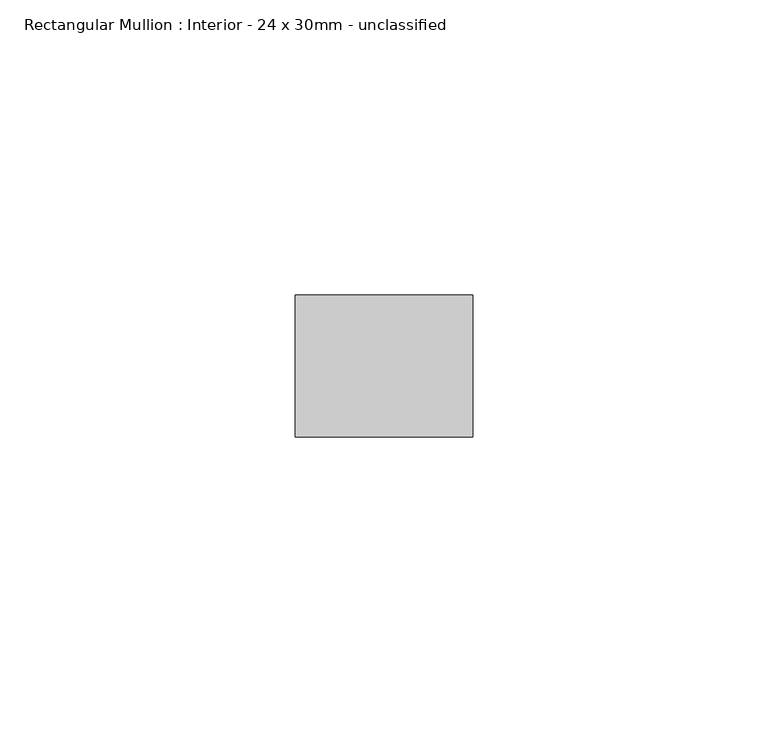
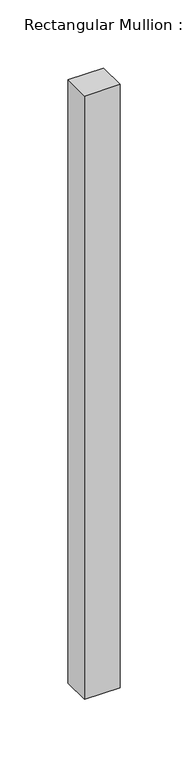
"""IFC4 building model written with IfcOpenShell, lengths in millimetres: member geometry, Rectangular Mullion : Interior - 24 x 30mm - unclassified."""

import ifcopenshell
import ifcopenshell.guid

model = None  # the IFC model being written
_history = None  # IfcOwnerHistory: only IFC2X3 demands one
_inside = {}  # id of a spatial element -> (the spatial element, [elements in it])
_under = {}  # id of a project, library or spatial element -> (it, [spatial elements below it])
_declared = {}  # id of a project -> (the project, [libraries it declares])
_typed = {}  # id of a type object -> (the type object, [elements of that type])
_made_of = {}  # id of a material, layer set ... -> (it, [elements and type objects made of it])


def new_model(schema):
    """Start an empty IFC model of exactly this schema.

    Asked for "IFC4X3", IfcOpenShell would pick the latest addendum, in which some entities
    have other attributes; the version numbers below select the first issue.
    IFC2X3 requires an IfcOwnerHistory on every rooted entity: one is made here for all.
    """
    global model, _history
    if schema == "IFC4X3":
        model = ifcopenshell.file(schema_version=(4, 3, 0, 0))
    else:
        model = ifcopenshell.file(schema=schema)
    _inside.clear()
    _under.clear()
    _declared.clear()
    _typed.clear()
    _made_of.clear()
    _history = None
    if model.schema == "IFC2X3":
        org = make("IfcOrganization", Name="unknown")
        user = make(
            "IfcPersonAndOrganization",
            ThePerson=make("IfcPerson", FamilyName="unknown"),
            TheOrganization=org,
        )
        app = make(
            "IfcApplication",
            ApplicationDeveloper=org,
            Version="unknown",
            ApplicationFullName="unknown",
            ApplicationIdentifier="unknown",
        )
        _history = make(
            "IfcOwnerHistory",
            OwningUser=user,
            OwningApplication=app,
            ChangeAction="ADDED",
            CreationDate=0,
        )
    return model


def make(cls, **values):
    """One entity of the class cls with the attributes given. An attribute that is None is left unset."""
    return model.create_entity(
        cls, **{name: value for name, value in values.items() if value is not None}
    )


def rooted(cls, **values):
    """An entity with a GlobalId (a new one), such as an element, a storey or a relation."""
    return make(cls, GlobalId=ifcopenshell.guid.new(), OwnerHistory=_history, **values)


def si_unit(unit_type, name, prefix=None):
    """IfcSIUnit, for example si_unit("LENGTHUNIT", "METRE", prefix="MILLI")."""
    return make("IfcSIUnit", UnitType=unit_type, Prefix=prefix, Name=name)


def assignment(units):
    """IfcUnitAssignment: the units of a project."""
    return None if units is None else make("IfcUnitAssignment", Units=units)


def point(xyz):
    """IfcCartesianPoint."""
    return None if xyz is None else make("IfcCartesianPoint", Coordinates=xyz)


def direction(xyz):
    """IfcDirection."""
    return None if xyz is None else make("IfcDirection", DirectionRatios=xyz)


def frame(location, z_axis=None, x_axis=None):
    """IfcAxis2Placement3D, a coordinate frame: its origin and axes. An axis left out is left unset."""
    return make(
        "IfcAxis2Placement3D",
        Location=point(location),
        Axis=direction(z_axis),
        RefDirection=direction(x_axis),
    )


def origin():
    """The frame at (0, 0, 0) with its axes left unset."""
    return frame((0.0, 0.0, 0.0))


def place(relative_to, where):
    """IfcLocalPlacement: puts the frame where relative to a parent placement (None: the world)."""
    return make(
        "IfcLocalPlacement", PlacementRelTo=relative_to, RelativePlacement=where
    )


def context(
    kind, dimensions, precision=None, world=None, true_north=None, identifier=None
):
    """IfcGeometricRepresentationContext, for example the 3D "Model" context."""
    return make(
        "IfcGeometricRepresentationContext",
        ContextIdentifier=identifier,
        ContextType=kind,
        CoordinateSpaceDimension=dimensions,
        Precision=precision,
        WorldCoordinateSystem=world,
        TrueNorth=true_north,
    )


def project(units=None, contexts=None):
    """IfcProject with its units and contexts."""
    return rooted(
        "IfcProject",
        Name="project",
        RepresentationContexts=contexts,
        UnitsInContext=assignment(units),
    )


def spatial(cls, under=None, at=None, **own):
    """A site, building, storey or space (cls), placed at a placement, below another one or the project."""
    s = rooted(cls, ObjectPlacement=at, **own)
    if under is not None:
        _under.setdefault(under.id(), (under, []))[1].append(s)
    return s


def polyline(points):
    """IfcPolyline through the points."""
    return make("IfcPolyline", Points=[point(p) for p in points])


def outline(outer, holes=None, kind="AREA"):
    """IfcArbitraryClosedProfileDef: a profile drawn as a closed curve; with holes, ...WithVoids."""
    if holes is None:
        return make("IfcArbitraryClosedProfileDef", ProfileType=kind, OuterCurve=outer)
    return make(
        "IfcArbitraryProfileDefWithVoids",
        ProfileType=kind,
        OuterCurve=outer,
        InnerCurves=holes,
    )


def extrude(swept, where, along, depth):
    """IfcExtrudedAreaSolid: the profile swept, set in the frame where, extruded along a direction by depth."""
    return make(
        "IfcExtrudedAreaSolid",
        SweptArea=swept,
        Position=where,
        ExtrudedDirection=direction(along),
        Depth=depth,
    )


def shape(context_of_items, identifier, shape_type, items):
    """IfcShapeRepresentation: the items that make up one representation, for example the "Body"."""
    return make(
        "IfcShapeRepresentation",
        ContextOfItems=context_of_items,
        RepresentationIdentifier=identifier,
        RepresentationType=shape_type,
        Items=items,
    )


def source(mapping_origin, context_of_items, identifier, shape_type, items):
    """IfcRepresentationMap: a shape defined once, which mapped items show again and again."""
    return make(
        "IfcRepresentationMap",
        MappingOrigin=mapping_origin,
        MappedRepresentation=shape(context_of_items, identifier, shape_type, items),
    )


def transform(
    local_origin,
    x_axis=None,
    y_axis=None,
    z_axis=None,
    scale=None,
    scale2=None,
    scale3=None,
    uniform=True,
):
    """IfcCartesianTransformationOperator3D, or its non-uniform kind. x_axis, y_axis, z_axis: its Axis1, 2, 3."""
    if uniform:
        return make(
            "IfcCartesianTransformationOperator3D",
            Axis1=direction(x_axis),
            Axis2=direction(y_axis),
            LocalOrigin=point(local_origin),
            Scale=scale,
            Axis3=direction(z_axis),
        )
    return make(
        "IfcCartesianTransformationOperator3DnonUniform",
        Axis1=direction(x_axis),
        Axis2=direction(y_axis),
        LocalOrigin=point(local_origin),
        Scale=scale,
        Axis3=direction(z_axis),
        Scale2=scale2,
        Scale3=scale3,
    )


def mapped(mapping_source, mapping_target):
    """IfcMappedItem: shows the shape of a source again, moved by a transform."""
    return make(
        "IfcMappedItem", MappingSource=mapping_source, MappingTarget=mapping_target
    )


def made_of(thing, what):
    """Note that an element or type object is made of a material, layer set ...; save() writes the relation."""
    if what is not None:
        _made_of.setdefault(what.id(), (what, []))[1].append(thing)
    return thing


def element(
    cls,
    number,
    at=None,
    inside=None,
    cuts=None,
    type_object=None,
    material=None,
    context=None,
    identifier="Body",
    shape_type=None,
    held_by="IfcProductDefinitionShape",
    body=None,
    shapes=None,
    **own,
):
    """One element of the class cls, such as IfcWall. Its Tag is "e" and its number.

    at: its placement. inside: the storey or other place that contains it. cuts: it is an
    opening in that element (IfcRelVoidsElement). A single representation is given by context,
    identifier, shape_type and body (its items); several are given by shapes. held_by: the class
    of the entity that holds the representations. save() writes the other relations.
    """
    e = rooted(cls, Tag="e%d" % number, ObjectPlacement=at, **own)
    if body is not None:
        shapes = [shape(context, identifier, shape_type, body)]
    if shapes is not None:
        e.Representation = make(held_by, Representations=shapes)
    if inside is not None:
        _inside.setdefault(inside.id(), (inside, []))[1].append(e)
    if cuts is not None:
        rooted(
            "IfcRelVoidsElement", RelatingBuildingElement=cuts, RelatedOpeningElement=e
        )
    if type_object is not None:
        _typed.setdefault(type_object.id(), (type_object, []))[1].append(e)
    return made_of(e, material)


def aggregate(whole, parts):
    """IfcRelAggregates: a whole, such as a stair, and the parts it consists of."""
    return rooted("IfcRelAggregates", RelatingObject=whole, RelatedObjects=parts)


def save(model, path):
    """Write the relations noted so far, then the file.

    IfcRelAggregates (storeys below a building ...), IfcRelContainedInSpatialStructure (elements
    in a storey), IfcRelDefinesByType, IfcRelAssociatesMaterial and IfcRelDeclares: one each for
    every whole, place, type object, material and project.
    """
    for whole, parts in _under.values():
        aggregate(whole, parts)
    for where, things in _inside.values():
        rooted(
            "IfcRelContainedInSpatialStructure",
            RelatedElements=things,
            RelatingStructure=where,
        )
    for kind, things in _typed.values():
        rooted("IfcRelDefinesByType", RelatedObjects=things, RelatingType=kind)
    for what, things in _made_of.values():
        rooted("IfcRelAssociatesMaterial", RelatedObjects=things, RelatingMaterial=what)
    for by, libraries in _declared.values():
        rooted("IfcRelDeclares", RelatingContext=by, RelatedDefinitions=libraries)
    model.write(path)


def rectangular_mullion_interior_24_x_30mm_unclassified_959a54da(model_context):
    return source(origin(), model_context, "Body", "SweptSolid", [
        extrude(outline(polyline([(0.0, 12.0), (0.0, -12.0), (-30.0, -12.0), (-30.0, 12.0), (0.0, 12.0)])), frame((0.0, 0.0, -539.9999997), z_axis=(0.0, 0.0, 1.0), x_axis=(1.0, 0.0, 0.0)), (0.0, 0.0, 1.0), 539.9999997),
    ])


if __name__ == "__main__":
    model = new_model("IFC4")
    model_context = context("Model", 3, world=origin())
    ifc_project = project(units=[si_unit("LENGTHUNIT", "METRE", prefix="MILLI")], contexts=[model_context])
    site = spatial("IfcSite", under=ifc_project)
    building = spatial("IfcBuilding", under=site)
    placement = place(None, origin())
    rectangular_mullion_interior_24_x_30mm_unclassified_shape = rectangular_mullion_interior_24_x_30mm_unclassified_959a54da(model_context)
    element("IfcMember", 1, ObjectType="Rectangular Mullion : Interior - 24 x 30mm - unclassified", at=placement, inside=building, context=model_context, shape_type="MappedRepresentation", body=[
        mapped(rectangular_mullion_interior_24_x_30mm_unclassified_shape, transform((0.0, 0.0, 0.0), x_axis=(1.0, 0.0, 0.0), y_axis=(0.0, 1.0, 0.0), z_axis=(0.0, 0.0, 1.0))),
    ])
    save(model, "model.ifc")
